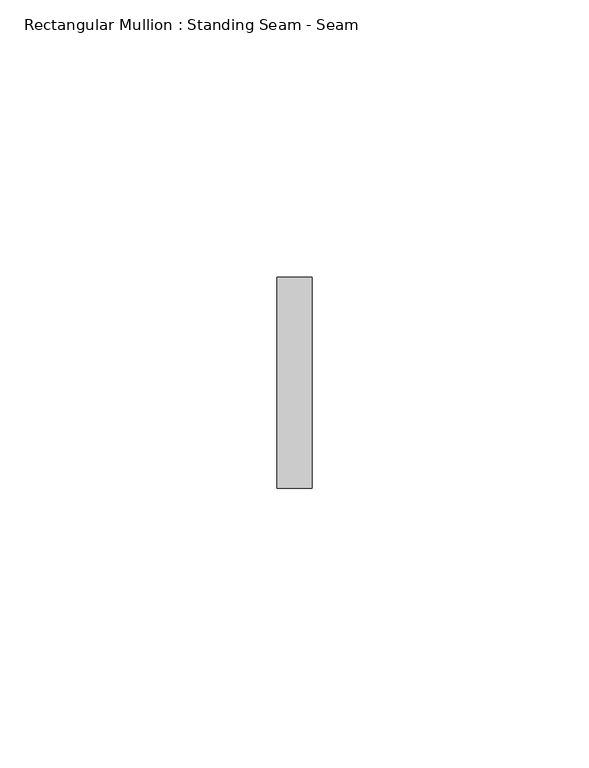
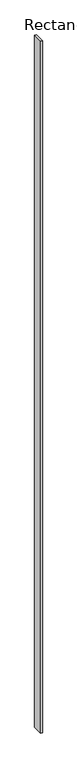
"""IFC4 building model written with IfcOpenShell, lengths in millimetres: member geometry, Rectangular Mullion : Standing Seam - Seam."""

from ifc_helpers import new_model, si_unit, frame, origin, place, context, project, spatial, polyline, outline, extrude, source, transform, mapped, element, save


def rectangular_mullion_standing_seam_seam_a584ed0d(model_context):
    return source(origin(), model_context, "Body", "SweptSolid", [
        extrude(outline(polyline([(3.175, 41.275), (3.175, 3.175), (-3.175, 3.175), (-3.175, 41.275), (3.175, 41.275)])), frame((0.0, 0.0, -2722.8031453), z_axis=(0.0, 0.0, 1.0), x_axis=(1.0, 0.0, 0.0)), (0.0, 0.0, 1.0), 2722.8031453),
    ])


if __name__ == "__main__":
    model = new_model("IFC4")
    model_context = context("Model", 3, world=origin())
    ifc_project = project(units=[si_unit("LENGTHUNIT", "METRE", prefix="MILLI")], contexts=[model_context])
    site = spatial("IfcSite", under=ifc_project)
    building = spatial("IfcBuilding", under=site)
    placement = place(None, origin())
    rectangular_mullion_standing_seam_seam_shape = rectangular_mullion_standing_seam_seam_a584ed0d(model_context)
    element("IfcMember", 1, ObjectType="Rectangular Mullion : Standing Seam - Seam", at=placement, inside=building, context=model_context, shape_type="MappedRepresentation", body=[
        mapped(rectangular_mullion_standing_seam_seam_shape, transform((0.0, 0.0, 0.0), x_axis=(1.0, 0.0, 0.0), y_axis=(0.0, 1.0, 0.0), z_axis=(0.0, 0.0, 1.0))),
    ])
    save(model, "model.ifc")
